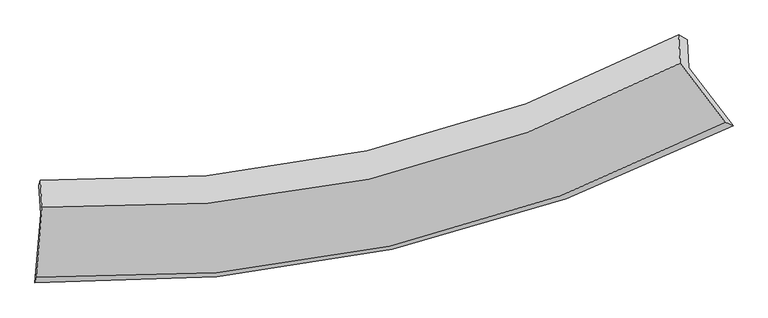
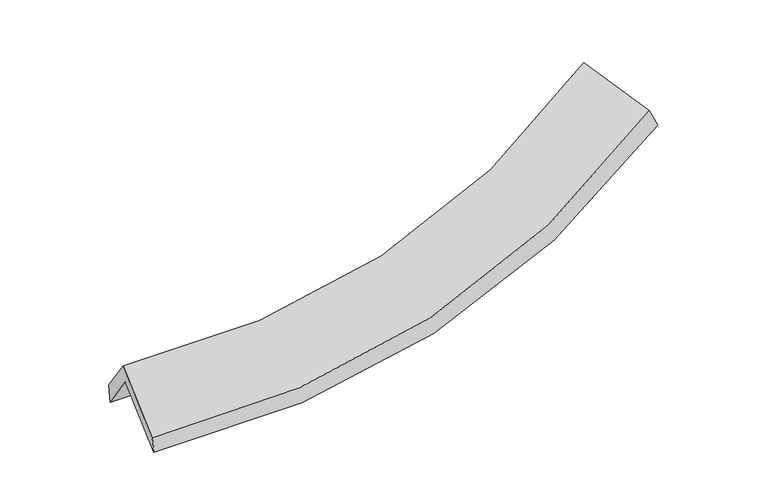
"""IFC4 building model written with IfcOpenShell, lengths in millimetres: proxy geometry."""

from ifc_helpers import new_model, si_unit, frame, origin, place, context, project, spatial, source, transform, mapped, element, save
from ifc_brep_helpers import plane_surface, spline_curve, spline_surface, advanced_brep


def generic_models_55f7d5b1(model_context):
    return source(origin(), model_context, "Body", "AdvancedBrep", [
        advanced_brep(
        [(-2654.798032, -2046.0326339, 1915.1199744), (-2667.6641473, -1815.9603217, 1571.8673623), (2518.2774091, -652.7126263, 2164.9838758), (2530.6375267, -873.7366708, 2494.7370733), (-2656.6791521, -1774.3719165, 1718.3522134), (2450.7724082, -612.8482606, 2307.7798556), (-2644.5815209, -1990.7021689, 2041.1025847), (2463.476286, -840.019437, 2646.7041657), (-2690.6382878, -2553.078882, 1665.8840591), (2822.9353524, -1311.1787589, 2317.4260994), (-2699.9853116, -2597.792462, 1546.9850492), (2886.7286209, -1340.4814386, 2168.5441966)],
        [
            (0, 1),
            (1, 2, spline_curve(3, [(-2667.6641473, -1815.9603217, 1571.8673623), (-1751.280549723, -1845.488235972, 1514.980098611), (-867.046372313, -1766.487905363, 1534.024612401), (863.632329914, -1385.596556371, 1726.931999732), (1708.045337997, -1076.847655495, 1905.592990364), (2518.2774091, -652.7126263, 2164.9838758)], [4, 2, 4], [0.0, 8.771573596256335, 17.81603941001881])),
            (2, 3),
            (3, 0, spline_curve(3, [(2530.6375267, -873.7366708, 2494.7370733), (1720.271415106, -1295.474782094, 2231.770145969), (875.835881311, -1603.820879822, 2052.508199165), (-854.667527124, -1987.846836236, 1864.277438443), (-1738.710513043, -2070.266059974, 1850.333685889), (-2654.798032, -2046.0326339, 1915.1199744)], [4, 2, 4], [0.0, 9.044465813762475, 17.81603941001881])),
            (1, 4),
            (4, 5, spline_curve(3, [(-2656.6791521, -1774.3719165, 1718.3522134), (-1751.621285792, -1805.524348206, 1660.390092327), (-879.478706507, -1727.488020019, 1678.590884395), (825.085058841, -1347.213088721, 1870.254042402), (1655.42633291, -1038.074864942, 2048.529131108), (2450.7724082, -612.8482606, 2307.7798556)], [4, 2, 4], [0.0, 8.711179170848979, 17.693371629671837])),
            (5, 2),
            (4, 6),
            (6, 7, spline_curve(3, [(-2644.5815209, -1990.7021689, 2041.1025847), (-1739.280873663, -2026.196020101, 1989.617573215), (-866.966059669, -1951.239597707, 2012.413380533), (837.804245621, -1574.65802279, 2209.586780662), (1668.175367303, -1266.053534481, 2388.658167047), (2463.476286, -840.019437, 2646.7041657)], [4, 2, 4], [0.0, 8.650892142518101, 17.57092198470571])),
            (7, 5),
            (6, 8),
            (8, 9, spline_curve(3, [(-2690.6382878, -2553.078882, 1665.8840591), (-1712.073004399, -2586.323424596, 1613.160520643), (-769.799081609, -2502.854754781, 1639.039568669), (1070.352043939, -2096.263137051, 1851.253363377), (1965.936001198, -1765.765099128, 2042.55499564), (2822.9353524, -1311.1787589, 2317.4260994)], [4, 2, 4], [0.0, 8.96202384057866, 18.202864991684386])),
            (9, 7),
            (8, 10),
            (10, 11, spline_curve(3, [(-2699.9853116, -2597.792462, 1546.9850492), (-1712.189597217, -2620.320824677, 1480.653781609), (-759.320030566, -2530.166792973, 1497.202130735), (1105.124925066, -2118.183501397, 1699.15136314), (2014.493335581, -1789.233858837, 1889.789396365), (2886.7286209, -1340.4814386, 2168.5441966)], [4, 2, 4], [0.0, 9.357620835549282, 19.006366390326207])),
            (11, 9),
            (10, 0),
            (3, 11),
        ],
        [
            spline_surface(3, 3, [[(-2654.798032, -2046.0326339, 1915.1199744), (-1738.710513018, -2070.266059875, 1850.333685751), (-854.667527246, -1987.84683634, 1864.277438552), (875.835881437, -1603.820879715, 2052.508199053), (1720.271415191, -1295.474782239, 2231.770145882), (2530.6375267, -873.7366708, 2494.7370733)], [(-2659.08673709, -1969.341863158, 1800.70243702), (-1742.900525228, -1995.340118582, 1738.549156718), (-858.793808959, -1914.060525968, 1754.193163177), (871.768030955, -1531.079438623, 1943.98279926), (1716.196056177, -1222.599073308, 2123.044427389), (2526.517487502, -800.061989303, 2384.819340794)], [(-2663.37544221, -1892.651092442, 1686.28489968), (-1747.090537467, -1920.414177315, 1626.764627723), (-862.920090674, -1840.274215633, 1644.108887817), (867.700180472, -1458.337997568, 1835.457399483), (1712.120697156, -1149.723364367, 2014.318708914), (2522.397448298, -726.387307797, 2274.901608306)], [(-2667.6641473, -1815.9603217, 1571.8673623), (-1751.280549677, -1845.488236022, 1514.98009869), (-867.046372387, -1766.487905261, 1534.024612442), (863.63232999, -1385.596556476, 1726.93199969), (1708.045338142, -1076.847655435, 1905.59299042), (2518.2774091, -652.7126263, 2164.9838758)]], [4, 4], [4, 2, 4], [0.0, 1.2955003988917444], [0.0, 8.771573596256335, 17.81603941001881]),
            spline_surface(3, 3, [[(-2667.6641473, -1815.9603217, 1571.8673623), (-1751.280549677, -1845.488236022, 1514.98009869), (-867.046372387, -1766.487905261, 1534.024612442), (863.63232999, -1385.596556476, 1726.93199969), (1708.045338142, -1076.847655435, 1905.59299042), (2518.2774091, -652.7126263, 2164.9838758)], [(-2664.002482218, -1802.097519986, 1620.695645984), (-1751.3941284, -1832.166940064, 1563.450096525), (-871.190483746, -1753.487943501, 1582.213369762), (850.783239606, -1372.802067256, 1774.706013937), (1690.505669706, -1063.923391953, 1953.238370592), (2495.775742119, -639.424504388, 2212.582535712)], [(-2660.340817182, -1788.234718214, 1669.523929716), (-1751.507707168, -1818.84564405, 1611.920094407), (-875.334595124, -1740.487981713, 1630.402127065), (837.934149202, -1360.00757801, 1822.480028166), (1672.966001313, -1050.999128507, 2000.883750826), (2473.274075181, -626.136382512, 2260.181195688)], [(-2656.6791521, -1774.3719165, 1718.3522134), (-1751.621285891, -1805.524348093, 1660.390092243), (-879.478706483, -1727.488019952, 1678.590884385), (825.085058817, -1347.21308879, 1870.254042413), (1655.426332877, -1038.074865025, 2048.529130997), (2450.7724082, -612.8482606, 2307.7798556)]], [4, 4], [4, 2, 4], [0.0, 0.4962767426000829], [0.0, 8.711179170848979, 17.693371629671837]),
            spline_surface(3, 3, [[(-2656.6791521, -1774.3719165, 1718.3522134), (-1751.621285891, -1805.524348093, 1660.390092243), (-879.478706483, -1727.488019952, 1678.590884385), (825.085058817, -1347.21308879, 1870.254042413), (1655.426332877, -1038.074865025, 2048.529130997), (2450.7724082, -612.8482606, 2307.7798556)], [(-2652.646608395, -1846.482000619, 1825.935670514), (-1747.507815159, -1879.081572068, 1770.132585926), (-875.307824201, -1802.07187921, 1789.865049737), (829.324787782, -1423.028066786, 1983.364955172), (1659.676011036, -1114.067754858, 2161.905476403), (2455.007034137, -688.571986078, 2420.754625661)], [(-2648.614064605, -1918.592084781, 1933.519127586), (-1743.394344343, -1952.638796085, 1879.875079567), (-871.136941979, -1876.655738464, 1901.139215122), (833.564516687, -1498.843044778, 2096.475867963), (1663.925689185, -1190.060644657, 2275.281821724), (2459.241660063, -764.295711522, 2533.729395639)], [(-2644.5815209, -1990.7021689, 2041.1025847), (-1739.28087361, -2026.19602006, 1989.61757325), (-866.966059698, -1951.239597722, 2012.413380474), (837.804245652, -1574.658022775, 2209.586780722), (1668.175367344, -1266.05353449, 2388.65816713), (2463.476286, -840.019437, 2646.7041657)]], [4, 4], [4, 2, 4], [0.0, 1.3303363718837742], [0.0, 8.650892142518101, 17.57092198470571]),
            spline_surface(3, 3, [[(-2644.5815209, -1990.7021689, 2041.1025847), (-1739.28087361, -2026.19602006, 1989.61757325), (-866.966059698, -1951.239597722, 2012.413380474), (837.804245652, -1574.658022775, 2209.586780722), (1668.175367344, -1266.05353449, 2388.65816713), (2463.476286, -840.019437, 2646.7041657)], [(-2659.933776512, -2178.16107325, 1916.029742826), (-1730.211583818, -2212.905154892, 1864.131889036), (-834.577067021, -2135.111316758, 1887.955443217), (915.320178387, -1748.526394174, 2090.142308323), (1767.428911993, -1432.624056003, 2273.290443246), (2583.295974787, -997.072544303, 2536.944810243)], [(-2675.286032188, -2365.61997765, 1790.956900974), (-1721.142294091, -2399.614289775, 1738.646204843), (-802.188074274, -2318.983035807, 1763.497505871), (992.836111191, -1922.394765586, 1970.697835834), (1866.682456683, -1599.194577507, 2157.922719431), (2703.115663613, -1154.125651597, 2427.185454857)], [(-2690.6382878, -2553.078882, 1665.8840591), (-1712.073004299, -2586.323424607, 1613.160520629), (-769.799081596, -2502.854754843, 1639.039568614), (1070.352043926, -2096.263136986, 1851.253363435), (1965.936001332, -1765.76509902, 2042.554995547), (2822.9353524, -1311.1787589, 2317.4260994)]], [4, 4], [4, 2, 4], [0.0, 2.1983969714341653], [0.0, 8.96202384057866, 18.202864991684386]),
            spline_surface(3, 3, [[(-2690.6382878, -2553.078882, 1665.8840591), (-1712.073004299, -2586.323424607, 1613.160520629), (-769.799081596, -2502.854754843, 1639.039568614), (1070.352043926, -2096.263136986, 1851.253363435), (1965.936001332, -1765.76509902, 2042.554995547), (2822.9353524, -1311.1787589, 2317.4260994)], [(-2693.753962406, -2567.983408687, 1626.251055819), (-1712.11186866, -2597.655891287, 1568.991607669), (-766.306064514, -2511.958767511, 1591.760422652), (1081.94300428, -2103.569925135, 1800.552696633), (1982.121779393, -1773.588018918, 1991.633129196), (2844.199775244, -1320.946318797, 2267.798798464)], [(-2696.869636994, -2582.887935313, 1586.618052481), (-1712.150733002, -2608.988357904, 1524.822694651), (-762.813047503, -2521.062780225, 1544.481276748), (1093.533964563, -2110.876713331, 1749.852029888), (1998.307557422, -1781.410938824, 1940.711262851), (2865.464198056, -1330.713878703, 2218.171497536)], [(-2699.9853116, -2597.792462, 1546.9850492), (-1712.189597363, -2620.320824584, 1480.653781691), (-759.32003042, -2530.166792893, 1497.202130787), (1105.124924916, -2118.18350148, 1699.151363086), (2014.493335482, -1789.233858722, 1889.789396499), (2886.7286209, -1340.4814386, 2168.5441966)]], [4, 4], [4, 2, 4], [0.0, 0.4951397563548583], [0.0, 9.357620835549282, 19.006366390326207]),
            spline_surface(3, 3, [[(-2699.9853116, -2597.792462, 1546.9850492), (-1712.189597363, -2620.320824584, 1480.653781691), (-759.32003042, -2530.166792893, 1497.202130787), (1105.124924916, -2118.18350148, 1699.151363086), (2014.493335482, -1789.233858722, 1889.789396499), (2886.7286209, -1340.4814386, 2168.5441966)], [(-2684.922885079, -2413.8725193, 1669.696690936), (-1721.029902594, -2436.969236348, 1603.88041638), (-791.10252939, -2349.393474063, 1619.560566708), (1028.695243729, -1946.729294247, 1816.936975075), (1916.419362064, -1624.647499891, 2003.782979651), (2768.031589512, -1184.89984933, 2277.275155524)], [(-2669.860458521, -2229.9525766, 1792.408332664), (-1729.870207787, -2253.617648111, 1727.107051062), (-822.885028277, -2168.620155169, 1741.919002631), (952.265562624, -1775.275086949, 1934.722587065), (1818.34538861, -1460.06114107, 2117.77656273), (2649.334558088, -1029.31826007, 2386.006114376)], [(-2654.798032, -2046.0326339, 1915.1199744), (-1738.710513018, -2070.266059875, 1850.333685751), (-854.667527246, -1987.84683634, 1864.277438552), (875.835881437, -1603.820879715, 2052.508199053), (1720.271415191, -1295.474782239, 2231.770145882), (2530.6375267, -873.7366708, 2494.7370733)]], [4, 4], [4, 2, 4], [0.0, 2.1646246152512987], [0.0, 9.10719994177323, 18.497733764304527]),
            plane_surface(frame((2612.1379339, -938.4961987, 2350.0292111), z_axis=(0.8472955990992409, 0.4553282997939686, 0.27343428306229695), x_axis=(0.38755906311300403, -0.1780206493525713, -0.9044924659736306))),
            plane_surface(frame((-2669.057742, -2129.6563975, 1743.2185405), z_axis=(-0.9972020272814929, 0.03919885359513765, 0.06365191797980548), x_axis=(-0.06796777242968705, -0.8299213140511931, -0.5537246557581551))),
        ],
        [
            (0, [[1, 2, 3, 4]]),
            (1, [[5, 6, 7, -2]]),
            (2, [[8, 9, 10, -6]]),
            (3, [[11, 12, 13, -9]]),
            (4, [[14, 15, 16, -12]]),
            (5, [[17, -4, 18, -15]]),
            (6, [[-16, -18, -3, -7, -10, -13]]),
            (7, [[-17, -14, -11, -8, -5, -1]]),
        ],
    ),
    ])


if __name__ == "__main__":
    model = new_model("IFC4")
    model_context = context("Model", 3, world=origin())
    ifc_project = project(units=[si_unit("LENGTHUNIT", "METRE", prefix="MILLI")], contexts=[model_context])
    site = spatial("IfcSite", under=ifc_project)
    building = spatial("IfcBuilding", under=site)
    placement = place(None, origin())
    generic_models_shape = generic_models_55f7d5b1(model_context)
    element("IfcBuildingElementProxy", 1, Name="Generic Models", at=placement, inside=building, context=model_context, shape_type="MappedRepresentation", body=[
        mapped(generic_models_shape, transform((0.0, 0.0, 0.0), x_axis=(1.0, 0.0, 0.0), y_axis=(0.0, 1.0, 0.0), z_axis=(0.0, 0.0, 1.0))),
    ])
    save(model, "model.ifc")
